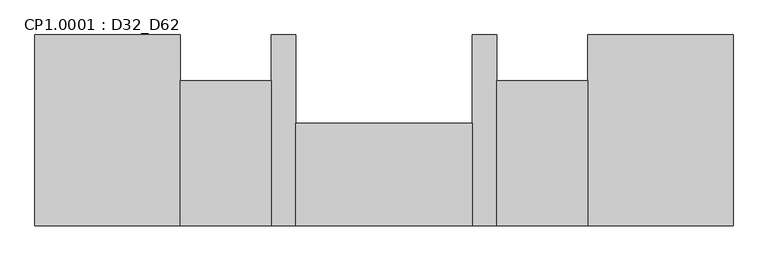
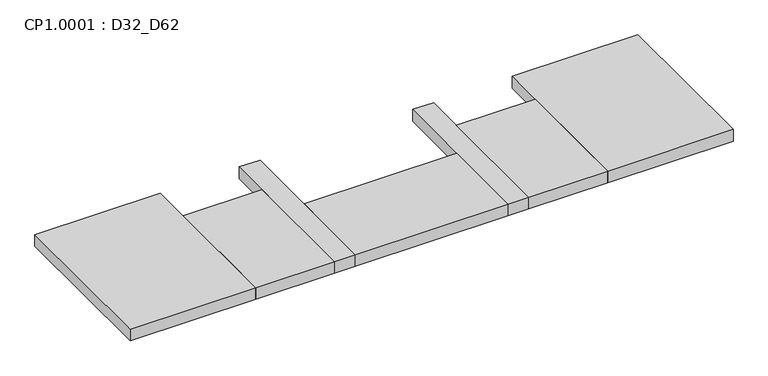
"""IFC4 building model written with IfcOpenShell, lengths in millimetres: proxy geometry, CP1.0001 : D32_D62."""

from ifc_helpers import new_model, si_unit, origin, origin_with_axes, place, context, project, spatial, polyline, outline, extrude, source, transform, mapped, element, save


def cp1_0001_d32_d62_fb14e2d7(model_context):
    return source(origin(), model_context, "Body", "SweptSolid", [
        extrude(outline(polyline([(-2060.0, 1840.0), (-2060.0, 1330.0), (-2380.0, 1330.0), (-2380.0, 1840.0), (-2060.0, 1840.0)])), origin_with_axes(), (0.0, 0.0, 1.0), 50.0),
        extrude(outline(polyline([(-2465.0, 1690.0), (-2465.0, 1330.0), (-3085.0, 1330.0), (-3085.0, 1690.0), (-2465.0, 1690.0)])), origin_with_axes(), (0.0, 0.0, 1.0), 50.0),
        extrude(outline(polyline([(-3170.0, 1840.0), (-3170.0, 1330.0), (-3490.0, 1330.0), (-3490.0, 1840.0), (-3170.0, 1840.0)])), origin_with_axes(), (0.0, 0.0, 1.0), 50.0),
        extrude(outline(polyline([(-1550.0, 2000.0), (-1550.0, 1330.0), (-2060.0, 1330.0), (-2060.0, 2000.0), (-1550.0, 2000.0)])), origin_with_axes(), (0.0, 0.0, 1.0), 50.0),
        extrude(outline(polyline([(-2380.0, 2000.0), (-2380.0, 1330.0), (-2465.0, 1330.0), (-2465.0, 2000.0), (-2380.0, 2000.0)])), origin_with_axes(), (0.0, 0.0, 1.0), 50.0),
        extrude(outline(polyline([(-3085.0, 2000.0), (-3085.0, 1330.0), (-3170.0, 1330.0), (-3170.0, 2000.0), (-3085.0, 2000.0)])), origin_with_axes(), (0.0, 0.0, 1.0), 50.0),
        extrude(outline(polyline([(-3490.0, 2000.0), (-3490.0, 1330.0), (-4000.0, 1330.0), (-4000.0, 2000.0), (-3490.0, 2000.0)])), origin_with_axes(), (0.0, 0.0, 1.0), 50.0),
    ])


if __name__ == "__main__":
    model = new_model("IFC4")
    model_context = context("Model", 3, world=origin())
    ifc_project = project(units=[si_unit("LENGTHUNIT", "METRE", prefix="MILLI")], contexts=[model_context])
    site = spatial("IfcSite", under=ifc_project)
    building = spatial("IfcBuilding", under=site)
    placement = place(None, origin())
    cp1_0001_d32_d62_shape = cp1_0001_d32_d62_fb14e2d7(model_context)
    element("IfcBuildingElementProxy", 1, Name="CP1.0001 : D32_D62", ObjectType="CP1.0001 : D32_D62", at=placement, inside=building, context=model_context, shape_type="MappedRepresentation", body=[
        mapped(cp1_0001_d32_d62_shape, transform((0.0, 0.0, 0.0), x_axis=(1.0, 0.0, 0.0), y_axis=(0.0, 1.0, 0.0), z_axis=(0.0, 0.0, 1.0))),
    ])
    save(model, "model.ifc")
